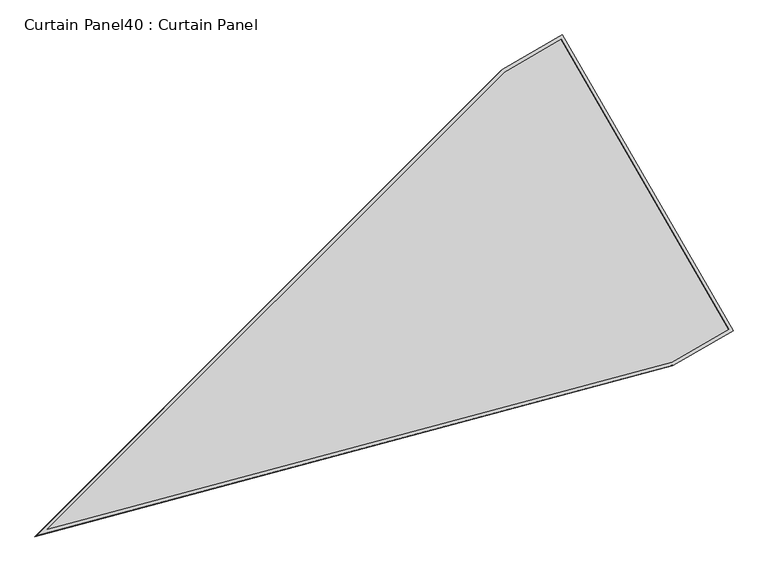
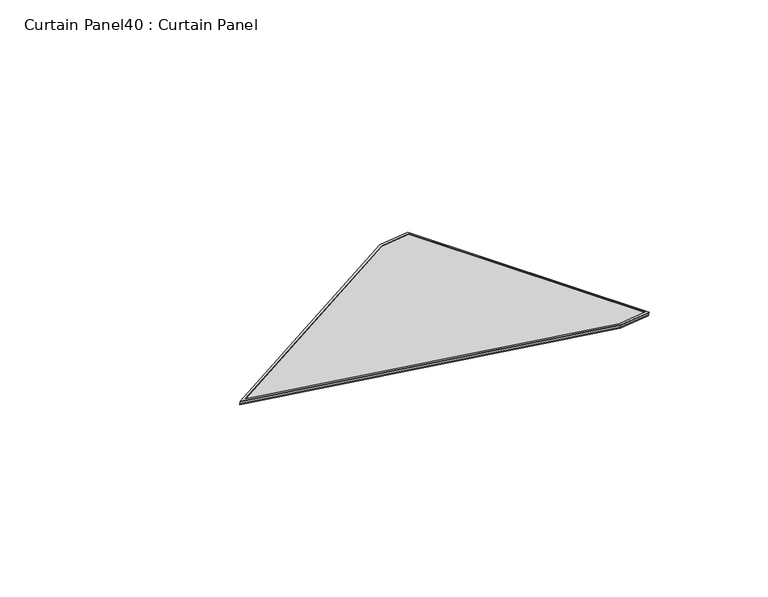
"""IFC4 building model written with IfcOpenShell, lengths in millimetres: plate geometry, Curtain Panel40 : Curtain Panel."""

from ifc_helpers import new_model, si_unit, frame, origin, place, context, project, spatial, polyline, outline, extrude, source, transform, mapped, element, save


def curtain_panel40_curtain_panel_8ceeca74(model_context):
    return source(origin(), model_context, "Body", "SweptSolid", [
        extrude(outline(polyline([(847.4221258, -3695.0136218), (0.0, -361.4128357), (0.0, 0.0), (1694.8442517, 1e-07), (1694.8442517, -361.4128358), (847.4221258, -3695.0136218)]), holes=[polyline([(1678.1716537, -16.6725979), (16.6725979, -16.6725979), (16.6725979, -359.3268682), (847.4221259, -3627.3407598), (1678.1716537, -359.3268683), (1678.1716537, -16.6725979)])]), frame((14945.6680286, 3850.088978, 1930.2790281), z_axis=(0.2737903148616554, 0.15807291198688547, 0.9487106081329238), x_axis=(0.49999999999999295, -0.8660254037844427, 0.0)), (0.0, 0.0, 1.0), 4.8464285),
        extrude(outline(polyline([(847.4221258, -3695.0136218), (1e-07, -361.4128358), (0.0, 0.0), (1694.8442516, 0.0), (1694.8442517, -361.4128357), (847.4221258, -3695.0136218)]), holes=[polyline([(1684.5216538, -10.322598), (10.322598, -10.322598), (10.3225979, -360.1213392), (847.4221259, -3653.1149478), (1684.5216537, -360.1213392), (1684.5216538, -10.322598)])]), frame((14940.8394045, 3847.3011706, 1913.5473665), z_axis=(0.27379031486167954, 0.15807291198689954, 0.9487106081329145), x_axis=(0.4999999999999932, -0.8660254037844426, 0.0)), (0.0, 0.0, 1.0), 4.8026954),
        extrude(outline(polyline([(12.7, 0.0), (1707.5442516, 0.0), (1707.5442516, -361.4128357), (860.1221258, -3695.0136218), (12.7, -361.4128357), (12.7, 0.0)])), frame((14935.804336, 3859.0588692, 1918.1037346), z_axis=(0.27379031486168015, 0.1580729119869, 0.9487106081329143), x_axis=(0.49999999999999334, -0.8660254037844426, 0.0)), (0.0, 0.0, 1.0), 12.8335168),
    ])


if __name__ == "__main__":
    model = new_model("IFC4")
    model_context = context("Model", 3, world=origin())
    ifc_project = project(units=[si_unit("LENGTHUNIT", "METRE", prefix="MILLI")], contexts=[model_context])
    site = spatial("IfcSite", under=ifc_project)
    building = spatial("IfcBuilding", under=site)
    placement = place(None, origin())
    curtain_panel40_curtain_panel_shape = curtain_panel40_curtain_panel_8ceeca74(model_context)
    element("IfcPlate", 1, ObjectType="Curtain Panel40 : Curtain Panel", at=placement, inside=building, context=model_context, shape_type="MappedRepresentation", body=[
        mapped(curtain_panel40_curtain_panel_shape, transform((0.0, 0.0, 0.0), x_axis=(1.0, 0.0, 0.0), y_axis=(0.0, 1.0, 0.0), z_axis=(0.0, 0.0, 1.0))),
    ])
    save(model, "model.ifc")
